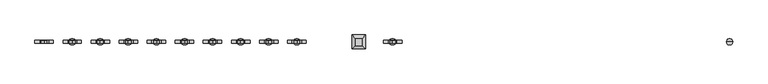
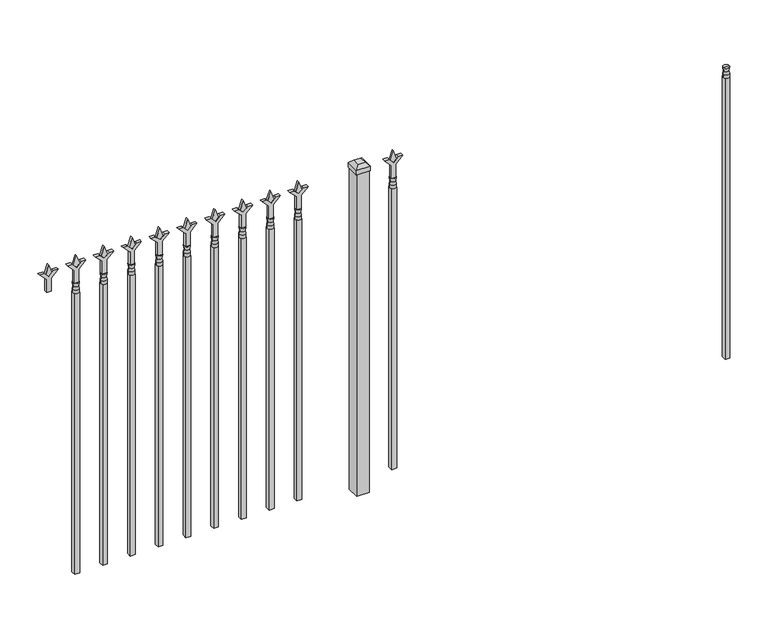
"""IFC4 building model written with IfcOpenShell, lengths in millimetres: railing geometry."""

from ifc_helpers import new_model, si_unit, frame, origin, origin_with_axes, place, context, project, spatial, polyline, circle_curve, outline, extrude, faceted_brep, source, transform, mapped, element, save
from ifc_brep_helpers import plane_surface, cylinder_surface, revolved_surface, advanced_brep


def railing_4475e349(model_context):
    return source(origin(), model_context, "Body", "SolidModel", [
        advanced_brep(
        [(-70507.574337, -3073.6570174, 1231.9), (-70531.386837, -3073.6570174, 1231.9), (-70531.386837, -3073.6570174, 1219.2), (-70507.574337, -3073.6570174, 1219.2), (-70509.7796688, -3073.6570174, 1244.4070585), (-70529.1815051, -3073.6570174, 1244.4070585), (-70507.574337, -3073.6570174, 1260.475), (-70531.386837, -3073.6570174, 1260.475), (-70519.480587, -3073.6570174, 1260.475), (-70519.480587, -3073.6570174, 1219.2)],
        [
            (0, 1, circle_curve(frame((-70519.480587, -3073.6570174, 1231.9), z_axis=(0.0, 0.0, -1.0), x_axis=(-1.0, 0.0, 0.0)), 11.90625)),
            (1, 2),
            (2, 3, circle_curve(frame((-70519.480587, -3073.6570174, 1219.2), z_axis=(0.0, 0.0, 1.0), x_axis=(-1.0, 0.0, 0.0)), 11.90625)),
            (3, 0),
            (1, 0, circle_curve(frame((-70519.480587, -3073.6570174, 1231.9), z_axis=(0.0, 0.0, -1.0), x_axis=(-1.0, 0.0, 0.0)), 11.90625)),
            (3, 2, circle_curve(frame((-70519.480587, -3073.6570174, 1219.2), z_axis=(0.0, 0.0, 1.0), x_axis=(-1.0, 0.0, 0.0)), 11.90625)),
            (4, 5, circle_curve(frame((-70519.480587, -3073.6570174, 1244.4070585), z_axis=(0.0, 0.0, -1.0), x_axis=(-1.0, 0.0, 0.0)), 9.7009181)),
            (5, 1),
            (0, 4),
            (5, 4, circle_curve(frame((-70519.480587, -3073.6570174, 1244.4070585), z_axis=(0.0, 0.0, -1.0), x_axis=(-1.0, 0.0, 0.0)), 9.7009181)),
            (6, 7, circle_curve(frame((-70519.480587, -3073.6570174, 1260.475), z_axis=(0.0, 0.0, -1.0), x_axis=(-1.0, 0.0, 0.0)), 11.90625)),
            (7, 5),
            (4, 6),
            (7, 6, circle_curve(frame((-70519.480587, -3073.6570174, 1260.475), z_axis=(0.0, 0.0, -1.0), x_axis=(-1.0, 0.0, 0.0)), 11.90625)),
            (8, 7),
            (6, 8),
            (2, 9),
            (9, 3),
        ],
        [
            cylinder_surface(frame((-70519.480587, -3073.6570174, 1219.2), z_axis=(0.0, 0.0, 1.0), x_axis=(-1.0, 0.0, 0.0)), 11.90625),
            revolved_surface(polyline([(-70531.386837, -3073.6570174, 1231.9), (-70529.1815051, -3073.6570174, 1244.4070585)]), (-70519.480587, -3073.6570174, 1219.2), (0.0, 0.0, 1.0)),
            revolved_surface(polyline([(-70529.1815051, -3073.6570174, 1244.4070585), (-70531.386837, -3073.6570174, 1260.475)]), (-70519.480587, -3073.6570174, 1219.2), (0.0, 0.0, 1.0)),
            plane_surface(frame((-70519.480587, -3073.6570174, 1260.475), z_axis=(0.0, 0.0, 1.0), x_axis=(-1.0, 0.0, 0.0))),
            plane_surface(frame((-70519.480587, -3073.6570174, 1219.2), z_axis=(0.0, 0.0, -1.0), x_axis=(-1.0, 0.0, 0.0))),
        ],
        [
            (0, [[1, 2, 3, 4]]),
            (0, [[5, -4, 6, -2]]),
            (1, [[7, 8, -1, 9]]),
            (1, [[10, -9, -5, -8]]),
            (2, [[11, 12, -7, 13]]),
            (2, [[14, -13, -10, -12]]),
            (3, [[15, -11, 16]]),
            (3, [[-16, -14, -15]]),
            (4, [[-3, 17, 18]]),
            (4, [[-6, -18, -17]]),
        ],
    ),
        extrude(outline(polyline([(-70529.005587, -3064.1320174), (-70509.955587, -3064.1320174), (-70509.955587, -3083.1820174), (-70529.005587, -3083.1820174), (-70529.005587, -3064.1320174)])), frame((0.0, 0.0, 50.8), z_axis=(0.0, 0.0, 1.0), x_axis=(1.0, 0.0, 0.0)), (0.0, 0.0, 1.0), 1168.4),
        extrude(outline(polyline([(1335.88125, -71818.849337), (1371.6, -71830.755587), (1335.88125, -71842.661837), (1323.975, -71830.755587), (1335.88125, -71818.849337)])), frame((0.0, -3078.4195174, 0.0), z_axis=(0.0, 1.0, 0.0), x_axis=(0.0, 0.0, 1.0)), (0.0, 0.0, 1.0), 9.525),
        extrude(outline(polyline([(1260.475, -71822.024337), (1314.7457378, -71822.024337), (1341.9355122, -71794.8345625), (1341.9355122, -71812.7950747), (1323.975, -71830.755587), (1341.9355122, -71848.7160992), (1341.9355122, -71866.6766114), (1314.7457378, -71839.486837), (1260.475, -71839.486837), (1260.475, -71822.024337)])), frame((0.0, -3080.0070174, 0.0), z_axis=(0.0, 1.0, 0.0), x_axis=(0.0, 0.0, 1.0)), (0.0, 0.0, 1.0), 12.7),
        advanced_brep(
        [(-71818.849337, -3073.6570174, 1231.9), (-71842.661837, -3073.6570174, 1231.9), (-71842.661837, -3073.6570174, 1219.2), (-71818.849337, -3073.6570174, 1219.2), (-71821.0546688, -3073.6570174, 1244.4070585), (-71840.4565051, -3073.6570174, 1244.4070585), (-71818.849337, -3073.6570174, 1260.475), (-71842.661837, -3073.6570174, 1260.475), (-71830.755587, -3073.6570174, 1260.475), (-71830.755587, -3073.6570174, 1219.2)],
        [
            (0, 1, circle_curve(frame((-71830.755587, -3073.6570174, 1231.9), z_axis=(0.0, 0.0, -1.0), x_axis=(-1.0, 0.0, 0.0)), 11.90625)),
            (1, 2),
            (2, 3, circle_curve(frame((-71830.755587, -3073.6570174, 1219.2), z_axis=(0.0, 0.0, 1.0), x_axis=(-1.0, 0.0, 0.0)), 11.90625)),
            (3, 0),
            (1, 0, circle_curve(frame((-71830.755587, -3073.6570174, 1231.9), z_axis=(0.0, 0.0, -1.0), x_axis=(-1.0, 0.0, 0.0)), 11.90625)),
            (3, 2, circle_curve(frame((-71830.755587, -3073.6570174, 1219.2), z_axis=(0.0, 0.0, 1.0), x_axis=(-1.0, 0.0, 0.0)), 11.90625)),
            (4, 5, circle_curve(frame((-71830.755587, -3073.6570174, 1244.4070585), z_axis=(0.0, 0.0, -1.0), x_axis=(-1.0, 0.0, 0.0)), 9.7009181)),
            (5, 1),
            (0, 4),
            (5, 4, circle_curve(frame((-71830.755587, -3073.6570174, 1244.4070585), z_axis=(0.0, 0.0, -1.0), x_axis=(-1.0, 0.0, 0.0)), 9.7009181)),
            (6, 7, circle_curve(frame((-71830.755587, -3073.6570174, 1260.475), z_axis=(0.0, 0.0, -1.0), x_axis=(-1.0, 0.0, 0.0)), 11.90625)),
            (7, 5),
            (4, 6),
            (7, 6, circle_curve(frame((-71830.755587, -3073.6570174, 1260.475), z_axis=(0.0, 0.0, -1.0), x_axis=(-1.0, 0.0, 0.0)), 11.90625)),
            (8, 7),
            (6, 8),
            (2, 9),
            (9, 3),
        ],
        [
            cylinder_surface(frame((-71830.755587, -3073.6570174, 1219.2), z_axis=(0.0, 0.0, 1.0), x_axis=(-1.0, 0.0, 0.0)), 11.90625),
            revolved_surface(polyline([(-71842.661837, -3073.6570174, 1231.9), (-71840.4565051, -3073.6570174, 1244.4070585)]), (-71830.755587, -3073.6570174, 1219.2), (0.0, 0.0, 1.0)),
            revolved_surface(polyline([(-71840.4565051, -3073.6570174, 1244.4070585), (-71842.661837, -3073.6570174, 1260.475)]), (-71830.755587, -3073.6570174, 1219.2), (0.0, 0.0, 1.0)),
            plane_surface(frame((-71830.755587, -3073.6570174, 1260.475), z_axis=(0.0, 0.0, 1.0), x_axis=(-1.0, 0.0, 0.0))),
            plane_surface(frame((-71830.755587, -3073.6570174, 1219.2), z_axis=(0.0, 0.0, -1.0), x_axis=(-1.0, 0.0, 0.0))),
        ],
        [
            (0, [[1, 2, 3, 4]]),
            (0, [[5, -4, 6, -2]]),
            (1, [[7, 8, -1, 9]]),
            (1, [[10, -9, -5, -8]]),
            (2, [[11, 12, -7, 13]]),
            (2, [[14, -13, -10, -12]]),
            (3, [[15, -11, 16]]),
            (3, [[-16, -14, -15]]),
            (4, [[-3, 17, 18]]),
            (4, [[-6, -18, -17]]),
        ],
    ),
        extrude(outline(polyline([(-71840.280587, -3064.1320174), (-71821.230587, -3064.1320174), (-71821.230587, -3083.1820174), (-71840.280587, -3083.1820174), (-71840.280587, -3064.1320174)])), frame((0.0, 0.0, 50.8), z_axis=(0.0, 0.0, 1.0), x_axis=(1.0, 0.0, 0.0)), (0.0, 0.0, 1.0), 1168.4),
        extrude(outline(polyline([(-71937.118087, -3048.2570174), (-71937.118087, -3099.0570174), (-71987.918087, -3099.0570174), (-71987.918087, -3048.2570174), (-71937.118087, -3048.2570174)])), origin_with_axes(), (0.0, 0.0, 1.0), 1339.85),
        faceted_brep([(-71989.505587, -3046.6695174, 1358.9), (-71989.505587, -3046.6695174, 1339.85), (-71989.505587, -3100.6445174, 1339.85), (-71989.505587, -3100.6445174, 1358.9), (-71976.805587, -3059.3695174, 1371.6), (-71976.805587, -3087.9445174, 1371.6), (-71935.530587, -3100.6445174, 1339.85), (-71935.530587, -3100.6445174, 1358.9), (-71948.230587, -3087.9445174, 1371.6), (-71935.530587, -3046.6695174, 1339.85), (-71935.530587, -3046.6695174, 1358.9), (-71948.230587, -3059.3695174, 1371.6)], [[[0, 1, 2, 3]], [[4, 0, 3, 5]], [[3, 2, 6, 7]], [[5, 3, 7, 8]], [[7, 6, 9, 10]], [[8, 7, 10, 11]], [[10, 9, 1, 0]], [[11, 10, 0, 4]], [[5, 8, 11, 4]], [[1, 9, 6, 2]]]),
        extrude(outline(polyline([(1335.88125, -72191.6472536), (1371.6, -72203.5535036), (1335.88125, -72215.4597536), (1323.975, -72203.5535036), (1335.88125, -72191.6472536)])), frame((0.0, -3078.4195174, 0.0), z_axis=(0.0, 1.0, 0.0), x_axis=(0.0, 0.0, 1.0)), (0.0, 0.0, 1.0), 9.525),
        extrude(outline(polyline([(1260.475, -72194.8222536), (1314.7457378, -72194.8222536), (1341.9355122, -72167.6324791), (1341.9355122, -72185.5929914), (1323.975, -72203.5535036), (1341.9355122, -72221.5140159), (1341.9355122, -72239.4745281), (1314.7457378, -72212.2847536), (1260.475, -72212.2847536), (1260.475, -72194.8222536)])), frame((0.0, -3080.0070174, 0.0), z_axis=(0.0, 1.0, 0.0), x_axis=(0.0, 0.0, 1.0)), (0.0, 0.0, 1.0), 12.7),
        advanced_brep(
        [(-72191.6472536, -3073.6570174, 1231.9), (-72215.4597536, -3073.6570174, 1231.9), (-72215.4597536, -3073.6570174, 1219.2), (-72191.6472536, -3073.6570174, 1219.2), (-72193.8525855, -3073.6570174, 1244.4070585), (-72213.2544218, -3073.6570174, 1244.4070585), (-72191.6472536, -3073.6570174, 1260.475), (-72215.4597536, -3073.6570174, 1260.475), (-72203.5535036, -3073.6570174, 1260.475), (-72203.5535036, -3073.6570174, 1219.2)],
        [
            (0, 1, circle_curve(frame((-72203.5535036, -3073.6570174, 1231.9), z_axis=(0.0, 0.0, -1.0), x_axis=(-1.0, 0.0, 0.0)), 11.90625)),
            (1, 2),
            (2, 3, circle_curve(frame((-72203.5535036, -3073.6570174, 1219.2), z_axis=(0.0, 0.0, 1.0), x_axis=(-1.0, 0.0, 0.0)), 11.90625)),
            (3, 0),
            (1, 0, circle_curve(frame((-72203.5535036, -3073.6570174, 1231.9), z_axis=(0.0, 0.0, -1.0), x_axis=(-1.0, 0.0, 0.0)), 11.90625)),
            (3, 2, circle_curve(frame((-72203.5535036, -3073.6570174, 1219.2), z_axis=(0.0, 0.0, 1.0), x_axis=(-1.0, 0.0, 0.0)), 11.90625)),
            (4, 5, circle_curve(frame((-72203.5535036, -3073.6570174, 1244.4070585), z_axis=(0.0, 0.0, -1.0), x_axis=(-1.0, 0.0, 0.0)), 9.7009181)),
            (5, 1),
            (0, 4),
            (5, 4, circle_curve(frame((-72203.5535036, -3073.6570174, 1244.4070585), z_axis=(0.0, 0.0, -1.0), x_axis=(-1.0, 0.0, 0.0)), 9.7009181)),
            (6, 7, circle_curve(frame((-72203.5535036, -3073.6570174, 1260.475), z_axis=(0.0, 0.0, -1.0), x_axis=(-1.0, 0.0, 0.0)), 11.90625)),
            (7, 5),
            (4, 6),
            (7, 6, circle_curve(frame((-72203.5535036, -3073.6570174, 1260.475), z_axis=(0.0, 0.0, -1.0), x_axis=(-1.0, 0.0, 0.0)), 11.90625)),
            (8, 7),
            (6, 8),
            (2, 9),
            (9, 3),
        ],
        [
            cylinder_surface(frame((-72203.5535036, -3073.6570174, 1219.2), z_axis=(0.0, 0.0, 1.0), x_axis=(-1.0, 0.0, 0.0)), 11.90625),
            revolved_surface(polyline([(-72215.4597536, -3073.6570174, 1231.9), (-72213.2544218, -3073.6570174, 1244.4070585)]), (-72203.5535036, -3073.6570174, 1219.2), (0.0, 0.0, 1.0)),
            revolved_surface(polyline([(-72213.2544218, -3073.6570174, 1244.4070585), (-72215.4597536, -3073.6570174, 1260.475)]), (-72203.5535036, -3073.6570174, 1219.2), (0.0, 0.0, 1.0)),
            plane_surface(frame((-72203.5535036, -3073.6570174, 1260.475), z_axis=(0.0, 0.0, 1.0), x_axis=(-1.0, 0.0, 0.0))),
            plane_surface(frame((-72203.5535036, -3073.6570174, 1219.2), z_axis=(0.0, 0.0, -1.0), x_axis=(-1.0, 0.0, 0.0))),
        ],
        [
            (0, [[1, 2, 3, 4]]),
            (0, [[5, -4, 6, -2]]),
            (1, [[7, 8, -1, 9]]),
            (1, [[10, -9, -5, -8]]),
            (2, [[11, 12, -7, 13]]),
            (2, [[14, -13, -10, -12]]),
            (3, [[15, -11, 16]]),
            (3, [[-16, -14, -15]]),
            (4, [[-3, 17, 18]]),
            (4, [[-6, -18, -17]]),
        ],
    ),
        extrude(outline(polyline([(-72213.0785036, -3064.1320174), (-72194.0285036, -3064.1320174), (-72194.0285036, -3083.1820174), (-72213.0785036, -3083.1820174), (-72213.0785036, -3064.1320174)])), frame((0.0, 0.0, 50.8), z_axis=(0.0, 0.0, 1.0), x_axis=(1.0, 0.0, 0.0)), (0.0, 0.0, 1.0), 1168.4),
        extrude(outline(polyline([(1335.88125, -72300.9201703), (1371.6, -72312.8264203), (1335.88125, -72324.7326703), (1323.975, -72312.8264203), (1335.88125, -72300.9201703)])), frame((0.0, -3078.4195174, 0.0), z_axis=(0.0, 1.0, 0.0), x_axis=(0.0, 0.0, 1.0)), (0.0, 0.0, 1.0), 9.525),
        extrude(outline(polyline([(1260.475, -72304.0951703), (1314.7457378, -72304.0951703), (1341.9355122, -72276.9053958), (1341.9355122, -72294.8659081), (1323.975, -72312.8264203), (1341.9355122, -72330.7869325), (1341.9355122, -72348.7474448), (1314.7457378, -72321.5576703), (1260.475, -72321.5576703), (1260.475, -72304.0951703)])), frame((0.0, -3080.0070174, 0.0), z_axis=(0.0, 1.0, 0.0), x_axis=(0.0, 0.0, 1.0)), (0.0, 0.0, 1.0), 12.7),
        advanced_brep(
        [(-72300.9201703, -3073.6570174, 1231.9), (-72324.7326703, -3073.6570174, 1231.9), (-72324.7326703, -3073.6570174, 1219.2), (-72300.9201703, -3073.6570174, 1219.2), (-72303.1255022, -3073.6570174, 1244.4070585), (-72322.5273384, -3073.6570174, 1244.4070585), (-72300.9201703, -3073.6570174, 1260.475), (-72324.7326703, -3073.6570174, 1260.475), (-72312.8264203, -3073.6570174, 1260.475), (-72312.8264203, -3073.6570174, 1219.2)],
        [
            (0, 1, circle_curve(frame((-72312.8264203, -3073.6570174, 1231.9), z_axis=(0.0, 0.0, -1.0), x_axis=(-1.0, 0.0, 0.0)), 11.90625)),
            (1, 2),
            (2, 3, circle_curve(frame((-72312.8264203, -3073.6570174, 1219.2), z_axis=(0.0, 0.0, 1.0), x_axis=(-1.0, 0.0, 0.0)), 11.90625)),
            (3, 0),
            (1, 0, circle_curve(frame((-72312.8264203, -3073.6570174, 1231.9), z_axis=(0.0, 0.0, -1.0), x_axis=(-1.0, 0.0, 0.0)), 11.90625)),
            (3, 2, circle_curve(frame((-72312.8264203, -3073.6570174, 1219.2), z_axis=(0.0, 0.0, 1.0), x_axis=(-1.0, 0.0, 0.0)), 11.90625)),
            (4, 5, circle_curve(frame((-72312.8264203, -3073.6570174, 1244.4070585), z_axis=(0.0, 0.0, -1.0), x_axis=(-1.0, 0.0, 0.0)), 9.7009181)),
            (5, 1),
            (0, 4),
            (5, 4, circle_curve(frame((-72312.8264203, -3073.6570174, 1244.4070585), z_axis=(0.0, 0.0, -1.0), x_axis=(-1.0, 0.0, 0.0)), 9.7009181)),
            (6, 7, circle_curve(frame((-72312.8264203, -3073.6570174, 1260.475), z_axis=(0.0, 0.0, -1.0), x_axis=(-1.0, 0.0, 0.0)), 11.90625)),
            (7, 5),
            (4, 6),
            (7, 6, circle_curve(frame((-72312.8264203, -3073.6570174, 1260.475), z_axis=(0.0, 0.0, -1.0), x_axis=(-1.0, 0.0, 0.0)), 11.90625)),
            (8, 7),
            (6, 8),
            (2, 9),
            (9, 3),
        ],
        [
            cylinder_surface(frame((-72312.8264203, -3073.6570174, 1219.2), z_axis=(0.0, 0.0, 1.0), x_axis=(-1.0, 0.0, 0.0)), 11.90625),
            revolved_surface(polyline([(-72324.7326703, -3073.6570174, 1231.9), (-72322.5273384, -3073.6570174, 1244.4070585)]), (-72312.8264203, -3073.6570174, 1219.2), (0.0, 0.0, 1.0)),
            revolved_surface(polyline([(-72322.5273384, -3073.6570174, 1244.4070585), (-72324.7326703, -3073.6570174, 1260.475)]), (-72312.8264203, -3073.6570174, 1219.2), (0.0, 0.0, 1.0)),
            plane_surface(frame((-72312.8264203, -3073.6570174, 1260.475), z_axis=(0.0, 0.0, 1.0), x_axis=(-1.0, 0.0, 0.0))),
            plane_surface(frame((-72312.8264203, -3073.6570174, 1219.2), z_axis=(0.0, 0.0, -1.0), x_axis=(-1.0, 0.0, 0.0))),
        ],
        [
            (0, [[1, 2, 3, 4]]),
            (0, [[5, -4, 6, -2]]),
            (1, [[7, 8, -1, 9]]),
            (1, [[10, -9, -5, -8]]),
            (2, [[11, 12, -7, 13]]),
            (2, [[14, -13, -10, -12]]),
            (3, [[15, -11, 16]]),
            (3, [[-16, -14, -15]]),
            (4, [[-3, 17, 18]]),
            (4, [[-6, -18, -17]]),
        ],
    ),
        extrude(outline(polyline([(-72322.3514203, -3064.1320174), (-72303.3014203, -3064.1320174), (-72303.3014203, -3083.1820174), (-72322.3514203, -3083.1820174), (-72322.3514203, -3064.1320174)])), frame((0.0, 0.0, 50.8), z_axis=(0.0, 0.0, 1.0), x_axis=(1.0, 0.0, 0.0)), (0.0, 0.0, 1.0), 1168.4),
        extrude(outline(polyline([(1335.88125, -72410.193087), (1371.6, -72422.099337), (1335.88125, -72434.005587), (1323.975, -72422.099337), (1335.88125, -72410.193087)])), frame((0.0, -3078.4195174, 0.0), z_axis=(0.0, 1.0, 0.0), x_axis=(0.0, 0.0, 1.0)), (0.0, 0.0, 1.0), 9.525),
        extrude(outline(polyline([(1260.475, -72413.368087), (1314.7457378, -72413.368087), (1341.9355122, -72386.1783125), (1341.9355122, -72404.1388247), (1323.975, -72422.099337), (1341.9355122, -72440.0598492), (1341.9355122, -72458.0203614), (1314.7457378, -72430.830587), (1260.475, -72430.830587), (1260.475, -72413.368087)])), frame((0.0, -3080.0070174, 0.0), z_axis=(0.0, 1.0, 0.0), x_axis=(0.0, 0.0, 1.0)), (0.0, 0.0, 1.0), 12.7),
        advanced_brep(
        [(-72410.193087, -3073.6570174, 1231.9), (-72434.005587, -3073.6570174, 1231.9), (-72434.005587, -3073.6570174, 1219.2), (-72410.193087, -3073.6570174, 1219.2), (-72412.3984188, -3073.6570174, 1244.4070585), (-72431.8002551, -3073.6570174, 1244.4070585), (-72410.193087, -3073.6570174, 1260.475), (-72434.005587, -3073.6570174, 1260.475), (-72422.099337, -3073.6570174, 1260.475), (-72422.099337, -3073.6570174, 1219.2)],
        [
            (0, 1, circle_curve(frame((-72422.099337, -3073.6570174, 1231.9), z_axis=(0.0, 0.0, -1.0), x_axis=(-1.0, 0.0, 0.0)), 11.90625)),
            (1, 2),
            (2, 3, circle_curve(frame((-72422.099337, -3073.6570174, 1219.2), z_axis=(0.0, 0.0, 1.0), x_axis=(-1.0, 0.0, 0.0)), 11.90625)),
            (3, 0),
            (1, 0, circle_curve(frame((-72422.099337, -3073.6570174, 1231.9), z_axis=(0.0, 0.0, -1.0), x_axis=(-1.0, 0.0, 0.0)), 11.90625)),
            (3, 2, circle_curve(frame((-72422.099337, -3073.6570174, 1219.2), z_axis=(0.0, 0.0, 1.0), x_axis=(-1.0, 0.0, 0.0)), 11.90625)),
            (4, 5, circle_curve(frame((-72422.099337, -3073.6570174, 1244.4070585), z_axis=(0.0, 0.0, -1.0), x_axis=(-1.0, 0.0, 0.0)), 9.7009181)),
            (5, 1),
            (0, 4),
            (5, 4, circle_curve(frame((-72422.099337, -3073.6570174, 1244.4070585), z_axis=(0.0, 0.0, -1.0), x_axis=(-1.0, 0.0, 0.0)), 9.7009181)),
            (6, 7, circle_curve(frame((-72422.099337, -3073.6570174, 1260.475), z_axis=(0.0, 0.0, -1.0), x_axis=(-1.0, 0.0, 0.0)), 11.90625)),
            (7, 5),
            (4, 6),
            (7, 6, circle_curve(frame((-72422.099337, -3073.6570174, 1260.475), z_axis=(0.0, 0.0, -1.0), x_axis=(-1.0, 0.0, 0.0)), 11.90625)),
            (8, 7),
            (6, 8),
            (2, 9),
            (9, 3),
        ],
        [
            cylinder_surface(frame((-72422.099337, -3073.6570174, 1219.2), z_axis=(0.0, 0.0, 1.0), x_axis=(-1.0, 0.0, 0.0)), 11.90625),
            revolved_surface(polyline([(-72434.005587, -3073.6570174, 1231.9), (-72431.8002551, -3073.6570174, 1244.4070585)]), (-72422.099337, -3073.6570174, 1219.2), (0.0, 0.0, 1.0)),
            revolved_surface(polyline([(-72431.8002551, -3073.6570174, 1244.4070585), (-72434.005587, -3073.6570174, 1260.475)]), (-72422.099337, -3073.6570174, 1219.2), (0.0, 0.0, 1.0)),
            plane_surface(frame((-72422.099337, -3073.6570174, 1260.475), z_axis=(0.0, 0.0, 1.0), x_axis=(-1.0, 0.0, 0.0))),
            plane_surface(frame((-72422.099337, -3073.6570174, 1219.2), z_axis=(0.0, 0.0, -1.0), x_axis=(-1.0, 0.0, 0.0))),
        ],
        [
            (0, [[1, 2, 3, 4]]),
            (0, [[5, -4, 6, -2]]),
            (1, [[7, 8, -1, 9]]),
            (1, [[10, -9, -5, -8]]),
            (2, [[11, 12, -7, 13]]),
            (2, [[14, -13, -10, -12]]),
            (3, [[15, -11, 16]]),
            (3, [[-16, -14, -15]]),
            (4, [[-3, 17, 18]]),
            (4, [[-6, -18, -17]]),
        ],
    ),
        extrude(outline(polyline([(-72431.624337, -3064.1320174), (-72412.574337, -3064.1320174), (-72412.574337, -3083.1820174), (-72431.624337, -3083.1820174), (-72431.624337, -3064.1320174)])), frame((0.0, 0.0, 50.8), z_axis=(0.0, 0.0, 1.0), x_axis=(1.0, 0.0, 0.0)), (0.0, 0.0, 1.0), 1168.4),
        extrude(outline(polyline([(1335.88125, -72519.4660036), (1371.6, -72531.3722536), (1335.88125, -72543.2785036), (1323.975, -72531.3722536), (1335.88125, -72519.4660036)])), frame((0.0, -3078.4195174, 0.0), z_axis=(0.0, 1.0, 0.0), x_axis=(0.0, 0.0, 1.0)), (0.0, 0.0, 1.0), 9.525),
        extrude(outline(polyline([(1260.475, -72522.6410036), (1314.7457378, -72522.6410036), (1341.9355122, -72495.4512291), (1341.9355122, -72513.4117414), (1323.975, -72531.3722536), (1341.9355122, -72549.3327659), (1341.9355122, -72567.2932781), (1314.7457378, -72540.1035036), (1260.475, -72540.1035036), (1260.475, -72522.6410036)])), frame((0.0, -3080.0070174, 0.0), z_axis=(0.0, 1.0, 0.0), x_axis=(0.0, 0.0, 1.0)), (0.0, 0.0, 1.0), 12.7),
        advanced_brep(
        [(-72519.4660036, -3073.6570174, 1231.9), (-72543.2785036, -3073.6570174, 1231.9), (-72543.2785036, -3073.6570174, 1219.2), (-72519.4660036, -3073.6570174, 1219.2), (-72521.6713355, -3073.6570174, 1244.4070585), (-72541.0731718, -3073.6570174, 1244.4070585), (-72519.4660036, -3073.6570174, 1260.475), (-72543.2785036, -3073.6570174, 1260.475), (-72531.3722536, -3073.6570174, 1260.475), (-72531.3722536, -3073.6570174, 1219.2)],
        [
            (0, 1, circle_curve(frame((-72531.3722536, -3073.6570174, 1231.9), z_axis=(0.0, 0.0, -1.0), x_axis=(-1.0, 0.0, 0.0)), 11.90625)),
            (1, 2),
            (2, 3, circle_curve(frame((-72531.3722536, -3073.6570174, 1219.2), z_axis=(0.0, 0.0, 1.0), x_axis=(-1.0, 0.0, 0.0)), 11.90625)),
            (3, 0),
            (1, 0, circle_curve(frame((-72531.3722536, -3073.6570174, 1231.9), z_axis=(0.0, 0.0, -1.0), x_axis=(-1.0, 0.0, 0.0)), 11.90625)),
            (3, 2, circle_curve(frame((-72531.3722536, -3073.6570174, 1219.2), z_axis=(0.0, 0.0, 1.0), x_axis=(-1.0, 0.0, 0.0)), 11.90625)),
            (4, 5, circle_curve(frame((-72531.3722536, -3073.6570174, 1244.4070585), z_axis=(0.0, 0.0, -1.0), x_axis=(-1.0, 0.0, 0.0)), 9.7009181)),
            (5, 1),
            (0, 4),
            (5, 4, circle_curve(frame((-72531.3722536, -3073.6570174, 1244.4070585), z_axis=(0.0, 0.0, -1.0), x_axis=(-1.0, 0.0, 0.0)), 9.7009181)),
            (6, 7, circle_curve(frame((-72531.3722536, -3073.6570174, 1260.475), z_axis=(0.0, 0.0, -1.0), x_axis=(-1.0, 0.0, 0.0)), 11.90625)),
            (7, 5),
            (4, 6),
            (7, 6, circle_curve(frame((-72531.3722536, -3073.6570174, 1260.475), z_axis=(0.0, 0.0, -1.0), x_axis=(-1.0, 0.0, 0.0)), 11.90625)),
            (8, 7),
            (6, 8),
            (2, 9),
            (9, 3),
        ],
        [
            cylinder_surface(frame((-72531.3722536, -3073.6570174, 1219.2), z_axis=(0.0, 0.0, 1.0), x_axis=(-1.0, 0.0, 0.0)), 11.90625),
            revolved_surface(polyline([(-72543.2785036, -3073.6570174, 1231.9), (-72541.0731718, -3073.6570174, 1244.4070585)]), (-72531.3722536, -3073.6570174, 1219.2), (0.0, 0.0, 1.0)),
            revolved_surface(polyline([(-72541.0731718, -3073.6570174, 1244.4070585), (-72543.2785036, -3073.6570174, 1260.475)]), (-72531.3722536, -3073.6570174, 1219.2), (0.0, 0.0, 1.0)),
            plane_surface(frame((-72531.3722536, -3073.6570174, 1260.475), z_axis=(0.0, 0.0, 1.0), x_axis=(-1.0, 0.0, 0.0))),
            plane_surface(frame((-72531.3722536, -3073.6570174, 1219.2), z_axis=(0.0, 0.0, -1.0), x_axis=(-1.0, 0.0, 0.0))),
        ],
        [
            (0, [[1, 2, 3, 4]]),
            (0, [[5, -4, 6, -2]]),
            (1, [[7, 8, -1, 9]]),
            (1, [[10, -9, -5, -8]]),
            (2, [[11, 12, -7, 13]]),
            (2, [[14, -13, -10, -12]]),
            (3, [[15, -11, 16]]),
            (3, [[-16, -14, -15]]),
            (4, [[-3, 17, 18]]),
            (4, [[-6, -18, -17]]),
        ],
    ),
        extrude(outline(polyline([(-72540.8972536, -3064.1320174), (-72521.8472536, -3064.1320174), (-72521.8472536, -3083.1820174), (-72540.8972536, -3083.1820174), (-72540.8972536, -3064.1320174)])), frame((0.0, 0.0, 50.8), z_axis=(0.0, 0.0, 1.0), x_axis=(1.0, 0.0, 0.0)), (0.0, 0.0, 1.0), 1168.4),
        extrude(outline(polyline([(1335.88125, -72628.7389203), (1371.6, -72640.6451703), (1335.88125, -72652.5514203), (1323.975, -72640.6451703), (1335.88125, -72628.7389203)])), frame((0.0, -3078.4195174, 0.0), z_axis=(0.0, 1.0, 0.0), x_axis=(0.0, 0.0, 1.0)), (0.0, 0.0, 1.0), 9.525),
        extrude(outline(polyline([(1260.475, -72631.9139203), (1314.7457378, -72631.9139203), (1341.9355122, -72604.7241458), (1341.9355122, -72622.6846581), (1323.975, -72640.6451703), (1341.9355122, -72658.6056825), (1341.9355122, -72676.5661948), (1314.7457378, -72649.3764203), (1260.475, -72649.3764203), (1260.475, -72631.9139203)])), frame((0.0, -3080.0070174, 0.0), z_axis=(0.0, 1.0, 0.0), x_axis=(0.0, 0.0, 1.0)), (0.0, 0.0, 1.0), 12.7),
        advanced_brep(
        [(-72628.7389203, -3073.6570174, 1231.9), (-72652.5514203, -3073.6570174, 1231.9), (-72652.5514203, -3073.6570174, 1219.2), (-72628.7389203, -3073.6570174, 1219.2), (-72630.9442522, -3073.6570174, 1244.4070585), (-72650.3460884, -3073.6570174, 1244.4070585), (-72628.7389203, -3073.6570174, 1260.475), (-72652.5514203, -3073.6570174, 1260.475), (-72640.6451703, -3073.6570174, 1260.475), (-72640.6451703, -3073.6570174, 1219.2)],
        [
            (0, 1, circle_curve(frame((-72640.6451703, -3073.6570174, 1231.9), z_axis=(0.0, 0.0, -1.0), x_axis=(-1.0, 0.0, 0.0)), 11.90625)),
            (1, 2),
            (2, 3, circle_curve(frame((-72640.6451703, -3073.6570174, 1219.2), z_axis=(0.0, 0.0, 1.0), x_axis=(-1.0, 0.0, 0.0)), 11.90625)),
            (3, 0),
            (1, 0, circle_curve(frame((-72640.6451703, -3073.6570174, 1231.9), z_axis=(0.0, 0.0, -1.0), x_axis=(-1.0, 0.0, 0.0)), 11.90625)),
            (3, 2, circle_curve(frame((-72640.6451703, -3073.6570174, 1219.2), z_axis=(0.0, 0.0, 1.0), x_axis=(-1.0, 0.0, 0.0)), 11.90625)),
            (4, 5, circle_curve(frame((-72640.6451703, -3073.6570174, 1244.4070585), z_axis=(0.0, 0.0, -1.0), x_axis=(-1.0, 0.0, 0.0)), 9.7009181)),
            (5, 1),
            (0, 4),
            (5, 4, circle_curve(frame((-72640.6451703, -3073.6570174, 1244.4070585), z_axis=(0.0, 0.0, -1.0), x_axis=(-1.0, 0.0, 0.0)), 9.7009181)),
            (6, 7, circle_curve(frame((-72640.6451703, -3073.6570174, 1260.475), z_axis=(0.0, 0.0, -1.0), x_axis=(-1.0, 0.0, 0.0)), 11.90625)),
            (7, 5),
            (4, 6),
            (7, 6, circle_curve(frame((-72640.6451703, -3073.6570174, 1260.475), z_axis=(0.0, 0.0, -1.0), x_axis=(-1.0, 0.0, 0.0)), 11.90625)),
            (8, 7),
            (6, 8),
            (2, 9),
            (9, 3),
        ],
        [
            cylinder_surface(frame((-72640.6451703, -3073.6570174, 1219.2), z_axis=(0.0, 0.0, 1.0), x_axis=(-1.0, 0.0, 0.0)), 11.90625),
            revolved_surface(polyline([(-72652.5514203, -3073.6570174, 1231.9), (-72650.3460884, -3073.6570174, 1244.4070585)]), (-72640.6451703, -3073.6570174, 1219.2), (0.0, 0.0, 1.0)),
            revolved_surface(polyline([(-72650.3460884, -3073.6570174, 1244.4070585), (-72652.5514203, -3073.6570174, 1260.475)]), (-72640.6451703, -3073.6570174, 1219.2), (0.0, 0.0, 1.0)),
            plane_surface(frame((-72640.6451703, -3073.6570174, 1260.475), z_axis=(0.0, 0.0, 1.0), x_axis=(-1.0, 0.0, 0.0))),
            plane_surface(frame((-72640.6451703, -3073.6570174, 1219.2), z_axis=(0.0, 0.0, -1.0), x_axis=(-1.0, 0.0, 0.0))),
        ],
        [
            (0, [[1, 2, 3, 4]]),
            (0, [[5, -4, 6, -2]]),
            (1, [[7, 8, -1, 9]]),
            (1, [[10, -9, -5, -8]]),
            (2, [[11, 12, -7, 13]]),
            (2, [[14, -13, -10, -12]]),
            (3, [[15, -11, 16]]),
            (3, [[-16, -14, -15]]),
            (4, [[-3, 17, 18]]),
            (4, [[-6, -18, -17]]),
        ],
    ),
        extrude(outline(polyline([(-72650.1701703, -3064.1320174), (-72631.1201703, -3064.1320174), (-72631.1201703, -3083.1820174), (-72650.1701703, -3083.1820174), (-72650.1701703, -3064.1320174)])), frame((0.0, 0.0, 50.8), z_axis=(0.0, 0.0, 1.0), x_axis=(1.0, 0.0, 0.0)), (0.0, 0.0, 1.0), 1168.4),
        extrude(outline(polyline([(1335.88125, -72738.011837), (1371.6, -72749.918087), (1335.88125, -72761.824337), (1323.975, -72749.918087), (1335.88125, -72738.011837)])), frame((0.0, -3078.4195174, 0.0), z_axis=(0.0, 1.0, 0.0), x_axis=(0.0, 0.0, 1.0)), (0.0, 0.0, 1.0), 9.525),
        extrude(outline(polyline([(1260.475, -72741.186837), (1314.7457378, -72741.186837), (1341.9355122, -72713.9970625), (1341.9355122, -72731.9575747), (1323.975, -72749.918087), (1341.9355122, -72767.8785992), (1341.9355122, -72785.8391114), (1314.7457378, -72758.649337), (1260.475, -72758.649337), (1260.475, -72741.186837)])), frame((0.0, -3080.0070174, 0.0), z_axis=(0.0, 1.0, 0.0), x_axis=(0.0, 0.0, 1.0)), (0.0, 0.0, 1.0), 12.7),
        advanced_brep(
        [(-72738.011837, -3073.6570174, 1231.9), (-72761.824337, -3073.6570174, 1231.9), (-72761.824337, -3073.6570174, 1219.2), (-72738.011837, -3073.6570174, 1219.2), (-72740.2171688, -3073.6570174, 1244.4070585), (-72759.6190051, -3073.6570174, 1244.4070585), (-72738.011837, -3073.6570174, 1260.475), (-72761.824337, -3073.6570174, 1260.475), (-72749.918087, -3073.6570174, 1260.475), (-72749.918087, -3073.6570174, 1219.2)],
        [
            (0, 1, circle_curve(frame((-72749.918087, -3073.6570174, 1231.9), z_axis=(0.0, 0.0, -1.0), x_axis=(-1.0, 0.0, 0.0)), 11.90625)),
            (1, 2),
            (2, 3, circle_curve(frame((-72749.918087, -3073.6570174, 1219.2), z_axis=(0.0, 0.0, 1.0), x_axis=(-1.0, 0.0, 0.0)), 11.90625)),
            (3, 0),
            (1, 0, circle_curve(frame((-72749.918087, -3073.6570174, 1231.9), z_axis=(0.0, 0.0, -1.0), x_axis=(-1.0, 0.0, 0.0)), 11.90625)),
            (3, 2, circle_curve(frame((-72749.918087, -3073.6570174, 1219.2), z_axis=(0.0, 0.0, 1.0), x_axis=(-1.0, 0.0, 0.0)), 11.90625)),
            (4, 5, circle_curve(frame((-72749.918087, -3073.6570174, 1244.4070585), z_axis=(0.0, 0.0, -1.0), x_axis=(-1.0, 0.0, 0.0)), 9.7009181)),
            (5, 1),
            (0, 4),
            (5, 4, circle_curve(frame((-72749.918087, -3073.6570174, 1244.4070585), z_axis=(0.0, 0.0, -1.0), x_axis=(-1.0, 0.0, 0.0)), 9.7009181)),
            (6, 7, circle_curve(frame((-72749.918087, -3073.6570174, 1260.475), z_axis=(0.0, 0.0, -1.0), x_axis=(-1.0, 0.0, 0.0)), 11.90625)),
            (7, 5),
            (4, 6),
            (7, 6, circle_curve(frame((-72749.918087, -3073.6570174, 1260.475), z_axis=(0.0, 0.0, -1.0), x_axis=(-1.0, 0.0, 0.0)), 11.90625)),
            (8, 7),
            (6, 8),
            (2, 9),
            (9, 3),
        ],
        [
            cylinder_surface(frame((-72749.918087, -3073.6570174, 1219.2), z_axis=(0.0, 0.0, 1.0), x_axis=(-1.0, 0.0, 0.0)), 11.90625),
            revolved_surface(polyline([(-72761.824337, -3073.6570174, 1231.9), (-72759.6190051, -3073.6570174, 1244.4070585)]), (-72749.918087, -3073.6570174, 1219.2), (0.0, 0.0, 1.0)),
            revolved_surface(polyline([(-72759.6190051, -3073.6570174, 1244.4070585), (-72761.824337, -3073.6570174, 1260.475)]), (-72749.918087, -3073.6570174, 1219.2), (0.0, 0.0, 1.0)),
            plane_surface(frame((-72749.918087, -3073.6570174, 1260.475), z_axis=(0.0, 0.0, 1.0), x_axis=(-1.0, 0.0, 0.0))),
            plane_surface(frame((-72749.918087, -3073.6570174, 1219.2), z_axis=(0.0, 0.0, -1.0), x_axis=(-1.0, 0.0, 0.0))),
        ],
        [
            (0, [[1, 2, 3, 4]]),
            (0, [[5, -4, 6, -2]]),
            (1, [[7, 8, -1, 9]]),
            (1, [[10, -9, -5, -8]]),
            (2, [[11, 12, -7, 13]]),
            (2, [[14, -13, -10, -12]]),
            (3, [[15, -11, 16]]),
            (3, [[-16, -14, -15]]),
            (4, [[-3, 17, 18]]),
            (4, [[-6, -18, -17]]),
        ],
    ),
        extrude(outline(polyline([(-72759.443087, -3064.1320174), (-72740.393087, -3064.1320174), (-72740.393087, -3083.1820174), (-72759.443087, -3083.1820174), (-72759.443087, -3064.1320174)])), frame((0.0, 0.0, 50.8), z_axis=(0.0, 0.0, 1.0), x_axis=(1.0, 0.0, 0.0)), (0.0, 0.0, 1.0), 1168.4),
        extrude(outline(polyline([(1335.88125, -72847.2847536), (1371.6, -72859.1910036), (1335.88125, -72871.0972536), (1323.975, -72859.1910036), (1335.88125, -72847.2847536)])), frame((0.0, -3078.4195174, 0.0), z_axis=(0.0, 1.0, 0.0), x_axis=(0.0, 0.0, 1.0)), (0.0, 0.0, 1.0), 9.525),
        extrude(outline(polyline([(1260.475, -72850.4597536), (1314.7457378, -72850.4597536), (1341.9355122, -72823.2699791), (1341.9355122, -72841.2304914), (1323.975, -72859.1910036), (1341.9355122, -72877.1515159), (1341.9355122, -72895.1120281), (1314.7457378, -72867.9222536), (1260.475, -72867.9222536), (1260.475, -72850.4597536)])), frame((0.0, -3080.0070174, 0.0), z_axis=(0.0, 1.0, 0.0), x_axis=(0.0, 0.0, 1.0)), (0.0, 0.0, 1.0), 12.7),
        advanced_brep(
        [(-72847.2847536, -3073.6570174, 1231.9), (-72871.0972536, -3073.6570174, 1231.9), (-72871.0972536, -3073.6570174, 1219.2), (-72847.2847536, -3073.6570174, 1219.2), (-72849.4900855, -3073.6570174, 1244.4070585), (-72868.8919218, -3073.6570174, 1244.4070585), (-72847.2847536, -3073.6570174, 1260.475), (-72871.0972536, -3073.6570174, 1260.475), (-72859.1910036, -3073.6570174, 1260.475), (-72859.1910036, -3073.6570174, 1219.2)],
        [
            (0, 1, circle_curve(frame((-72859.1910036, -3073.6570174, 1231.9), z_axis=(0.0, 0.0, -1.0), x_axis=(-1.0, 0.0, 0.0)), 11.90625)),
            (1, 2),
            (2, 3, circle_curve(frame((-72859.1910036, -3073.6570174, 1219.2), z_axis=(0.0, 0.0, 1.0), x_axis=(-1.0, 0.0, 0.0)), 11.90625)),
            (3, 0),
            (1, 0, circle_curve(frame((-72859.1910036, -3073.6570174, 1231.9), z_axis=(0.0, 0.0, -1.0), x_axis=(-1.0, 0.0, 0.0)), 11.90625)),
            (3, 2, circle_curve(frame((-72859.1910036, -3073.6570174, 1219.2), z_axis=(0.0, 0.0, 1.0), x_axis=(-1.0, 0.0, 0.0)), 11.90625)),
            (4, 5, circle_curve(frame((-72859.1910036, -3073.6570174, 1244.4070585), z_axis=(0.0, 0.0, -1.0), x_axis=(-1.0, 0.0, 0.0)), 9.7009181)),
            (5, 1),
            (0, 4),
            (5, 4, circle_curve(frame((-72859.1910036, -3073.6570174, 1244.4070585), z_axis=(0.0, 0.0, -1.0), x_axis=(-1.0, 0.0, 0.0)), 9.7009181)),
            (6, 7, circle_curve(frame((-72859.1910036, -3073.6570174, 1260.475), z_axis=(0.0, 0.0, -1.0), x_axis=(-1.0, 0.0, 0.0)), 11.90625)),
            (7, 5),
            (4, 6),
            (7, 6, circle_curve(frame((-72859.1910036, -3073.6570174, 1260.475), z_axis=(0.0, 0.0, -1.0), x_axis=(-1.0, 0.0, 0.0)), 11.90625)),
            (8, 7),
            (6, 8),
            (2, 9),
            (9, 3),
        ],
        [
            cylinder_surface(frame((-72859.1910036, -3073.6570174, 1219.2), z_axis=(0.0, 0.0, 1.0), x_axis=(-1.0, 0.0, 0.0)), 11.90625),
            revolved_surface(polyline([(-72871.0972536, -3073.6570174, 1231.9), (-72868.8919218, -3073.6570174, 1244.4070585)]), (-72859.1910036, -3073.6570174, 1219.2), (0.0, 0.0, 1.0)),
            revolved_surface(polyline([(-72868.8919218, -3073.6570174, 1244.4070585), (-72871.0972536, -3073.6570174, 1260.475)]), (-72859.1910036, -3073.6570174, 1219.2), (0.0, 0.0, 1.0)),
            plane_surface(frame((-72859.1910036, -3073.6570174, 1260.475), z_axis=(0.0, 0.0, 1.0), x_axis=(-1.0, 0.0, 0.0))),
            plane_surface(frame((-72859.1910036, -3073.6570174, 1219.2), z_axis=(0.0, 0.0, -1.0), x_axis=(-1.0, 0.0, 0.0))),
        ],
        [
            (0, [[1, 2, 3, 4]]),
            (0, [[5, -4, 6, -2]]),
            (1, [[7, 8, -1, 9]]),
            (1, [[10, -9, -5, -8]]),
            (2, [[11, 12, -7, 13]]),
            (2, [[14, -13, -10, -12]]),
            (3, [[15, -11, 16]]),
            (3, [[-16, -14, -15]]),
            (4, [[-3, 17, 18]]),
            (4, [[-6, -18, -17]]),
        ],
    ),
        extrude(outline(polyline([(-72868.7160036, -3064.1320174), (-72849.6660036, -3064.1320174), (-72849.6660036, -3083.1820174), (-72868.7160036, -3083.1820174), (-72868.7160036, -3064.1320174)])), frame((0.0, 0.0, 50.8), z_axis=(0.0, 0.0, 1.0), x_axis=(1.0, 0.0, 0.0)), (0.0, 0.0, 1.0), 1168.4),
        extrude(outline(polyline([(1335.88125, -72956.5576703), (1371.6, -72968.4639203), (1335.88125, -72980.3701703), (1323.975, -72968.4639203), (1335.88125, -72956.5576703)])), frame((0.0, -3078.4195174, 0.0), z_axis=(0.0, 1.0, 0.0), x_axis=(0.0, 0.0, 1.0)), (0.0, 0.0, 1.0), 9.525),
        extrude(outline(polyline([(1260.475, -72959.7326703), (1314.7457378, -72959.7326703), (1341.9355122, -72932.5428958), (1341.9355122, -72950.5034081), (1323.975, -72968.4639203), (1341.9355122, -72986.4244325), (1341.9355122, -73004.3849448), (1314.7457378, -72977.1951703), (1260.475, -72977.1951703), (1260.475, -72959.7326703)])), frame((0.0, -3080.0070174, 0.0), z_axis=(0.0, 1.0, 0.0), x_axis=(0.0, 0.0, 1.0)), (0.0, 0.0, 1.0), 12.7),
        advanced_brep(
        [(-72956.5576703, -3073.6570174, 1231.9), (-72980.3701703, -3073.6570174, 1231.9), (-72980.3701703, -3073.6570174, 1219.2), (-72956.5576703, -3073.6570174, 1219.2), (-72958.7630022, -3073.6570174, 1244.4070585), (-72978.1648384, -3073.6570174, 1244.4070585), (-72956.5576703, -3073.6570174, 1260.475), (-72980.3701703, -3073.6570174, 1260.475), (-72968.4639203, -3073.6570174, 1260.475), (-72968.4639203, -3073.6570174, 1219.2)],
        [
            (0, 1, circle_curve(frame((-72968.4639203, -3073.6570174, 1231.9), z_axis=(0.0, 0.0, -1.0), x_axis=(-1.0, 0.0, 0.0)), 11.90625)),
            (1, 2),
            (2, 3, circle_curve(frame((-72968.4639203, -3073.6570174, 1219.2), z_axis=(0.0, 0.0, 1.0), x_axis=(-1.0, 0.0, 0.0)), 11.90625)),
            (3, 0),
            (1, 0, circle_curve(frame((-72968.4639203, -3073.6570174, 1231.9), z_axis=(0.0, 0.0, -1.0), x_axis=(-1.0, 0.0, 0.0)), 11.90625)),
            (3, 2, circle_curve(frame((-72968.4639203, -3073.6570174, 1219.2), z_axis=(0.0, 0.0, 1.0), x_axis=(-1.0, 0.0, 0.0)), 11.90625)),
            (4, 5, circle_curve(frame((-72968.4639203, -3073.6570174, 1244.4070585), z_axis=(0.0, 0.0, -1.0), x_axis=(-1.0, 0.0, 0.0)), 9.7009181)),
            (5, 1),
            (0, 4),
            (5, 4, circle_curve(frame((-72968.4639203, -3073.6570174, 1244.4070585), z_axis=(0.0, 0.0, -1.0), x_axis=(-1.0, 0.0, 0.0)), 9.7009181)),
            (6, 7, circle_curve(frame((-72968.4639203, -3073.6570174, 1260.475), z_axis=(0.0, 0.0, -1.0), x_axis=(-1.0, 0.0, 0.0)), 11.90625)),
            (7, 5),
            (4, 6),
            (7, 6, circle_curve(frame((-72968.4639203, -3073.6570174, 1260.475), z_axis=(0.0, 0.0, -1.0), x_axis=(-1.0, 0.0, 0.0)), 11.90625)),
            (8, 7),
            (6, 8),
            (2, 9),
            (9, 3),
        ],
        [
            cylinder_surface(frame((-72968.4639203, -3073.6570174, 1219.2), z_axis=(0.0, 0.0, 1.0), x_axis=(-1.0, 0.0, 0.0)), 11.90625),
            revolved_surface(polyline([(-72980.3701703, -3073.6570174, 1231.9), (-72978.1648384, -3073.6570174, 1244.4070585)]), (-72968.4639203, -3073.6570174, 1219.2), (0.0, 0.0, 1.0)),
            revolved_surface(polyline([(-72978.1648384, -3073.6570174, 1244.4070585), (-72980.3701703, -3073.6570174, 1260.475)]), (-72968.4639203, -3073.6570174, 1219.2), (0.0, 0.0, 1.0)),
            plane_surface(frame((-72968.4639203, -3073.6570174, 1260.475), z_axis=(0.0, 0.0, 1.0), x_axis=(-1.0, 0.0, 0.0))),
            plane_surface(frame((-72968.4639203, -3073.6570174, 1219.2), z_axis=(0.0, 0.0, -1.0), x_axis=(-1.0, 0.0, 0.0))),
        ],
        [
            (0, [[1, 2, 3, 4]]),
            (0, [[5, -4, 6, -2]]),
            (1, [[7, 8, -1, 9]]),
            (1, [[10, -9, -5, -8]]),
            (2, [[11, 12, -7, 13]]),
            (2, [[14, -13, -10, -12]]),
            (3, [[15, -11, 16]]),
            (3, [[-16, -14, -15]]),
            (4, [[-3, 17, 18]]),
            (4, [[-6, -18, -17]]),
        ],
    ),
        extrude(outline(polyline([(-72977.9889203, -3064.1320174), (-72958.9389203, -3064.1320174), (-72958.9389203, -3083.1820174), (-72977.9889203, -3083.1820174), (-72977.9889203, -3064.1320174)])), frame((0.0, 0.0, 50.8), z_axis=(0.0, 0.0, 1.0), x_axis=(1.0, 0.0, 0.0)), (0.0, 0.0, 1.0), 1168.4),
        extrude(outline(polyline([(1335.88125, -73065.830587), (1371.6, -73077.736837), (1335.88125, -73089.643087), (1323.975, -73077.736837), (1335.88125, -73065.830587)])), frame((0.0, -3078.4195174, 0.0), z_axis=(0.0, 1.0, 0.0), x_axis=(0.0, 0.0, 1.0)), (0.0, 0.0, 1.0), 9.525),
        extrude(outline(polyline([(1260.475, -73069.005587), (1314.7457378, -73069.005587), (1341.9355122, -73041.8158125), (1341.9355122, -73059.7763247), (1323.975, -73077.736837), (1341.9355122, -73095.6973492), (1341.9355122, -73113.6578614), (1314.7457378, -73086.468087), (1260.475, -73086.468087), (1260.475, -73069.005587)])), frame((0.0, -3080.0070174, 0.0), z_axis=(0.0, 1.0, 0.0), x_axis=(0.0, 0.0, 1.0)), (0.0, 0.0, 1.0), 12.7),
        advanced_brep(
        [(-73065.830587, -3073.6570174, 1231.9), (-73089.643087, -3073.6570174, 1231.9), (-73089.643087, -3073.6570174, 1219.2), (-73065.830587, -3073.6570174, 1219.2), (-73068.0359188, -3073.6570174, 1244.4070585), (-73087.4377551, -3073.6570174, 1244.4070585), (-73065.830587, -3073.6570174, 1260.475), (-73089.643087, -3073.6570174, 1260.475), (-73077.736837, -3073.6570174, 1260.475), (-73077.736837, -3073.6570174, 1219.2)],
        [
            (0, 1, circle_curve(frame((-73077.736837, -3073.6570174, 1231.9), z_axis=(0.0, 0.0, -1.0), x_axis=(-1.0, 0.0, 0.0)), 11.90625)),
            (1, 2),
            (2, 3, circle_curve(frame((-73077.736837, -3073.6570174, 1219.2), z_axis=(0.0, 0.0, 1.0), x_axis=(-1.0, 0.0, 0.0)), 11.90625)),
            (3, 0),
            (1, 0, circle_curve(frame((-73077.736837, -3073.6570174, 1231.9), z_axis=(0.0, 0.0, -1.0), x_axis=(-1.0, 0.0, 0.0)), 11.90625)),
            (3, 2, circle_curve(frame((-73077.736837, -3073.6570174, 1219.2), z_axis=(0.0, 0.0, 1.0), x_axis=(-1.0, 0.0, 0.0)), 11.90625)),
            (4, 5, circle_curve(frame((-73077.736837, -3073.6570174, 1244.4070585), z_axis=(0.0, 0.0, -1.0), x_axis=(-1.0, 0.0, 0.0)), 9.7009181)),
            (5, 1),
            (0, 4),
            (5, 4, circle_curve(frame((-73077.736837, -3073.6570174, 1244.4070585), z_axis=(0.0, 0.0, -1.0), x_axis=(-1.0, 0.0, 0.0)), 9.7009181)),
            (6, 7, circle_curve(frame((-73077.736837, -3073.6570174, 1260.475), z_axis=(0.0, 0.0, -1.0), x_axis=(-1.0, 0.0, 0.0)), 11.90625)),
            (7, 5),
            (4, 6),
            (7, 6, circle_curve(frame((-73077.736837, -3073.6570174, 1260.475), z_axis=(0.0, 0.0, -1.0), x_axis=(-1.0, 0.0, 0.0)), 11.90625)),
            (8, 7),
            (6, 8),
            (2, 9),
            (9, 3),
        ],
        [
            cylinder_surface(frame((-73077.736837, -3073.6570174, 1219.2), z_axis=(0.0, 0.0, 1.0), x_axis=(-1.0, 0.0, 0.0)), 11.90625),
            revolved_surface(polyline([(-73089.643087, -3073.6570174, 1231.9), (-73087.4377551, -3073.6570174, 1244.4070585)]), (-73077.736837, -3073.6570174, 1219.2), (0.0, 0.0, 1.0)),
            revolved_surface(polyline([(-73087.4377551, -3073.6570174, 1244.4070585), (-73089.643087, -3073.6570174, 1260.475)]), (-73077.736837, -3073.6570174, 1219.2), (0.0, 0.0, 1.0)),
            plane_surface(frame((-73077.736837, -3073.6570174, 1260.475), z_axis=(0.0, 0.0, 1.0), x_axis=(-1.0, 0.0, 0.0))),
            plane_surface(frame((-73077.736837, -3073.6570174, 1219.2), z_axis=(0.0, 0.0, -1.0), x_axis=(-1.0, 0.0, 0.0))),
        ],
        [
            (0, [[1, 2, 3, 4]]),
            (0, [[5, -4, 6, -2]]),
            (1, [[7, 8, -1, 9]]),
            (1, [[10, -9, -5, -8]]),
            (2, [[11, 12, -7, 13]]),
            (2, [[14, -13, -10, -12]]),
            (3, [[15, -11, 16]]),
            (3, [[-16, -14, -15]]),
            (4, [[-3, 17, 18]]),
            (4, [[-6, -18, -17]]),
        ],
    ),
        extrude(outline(polyline([(-73087.261837, -3064.1320174), (-73068.211837, -3064.1320174), (-73068.211837, -3083.1820174), (-73087.261837, -3083.1820174), (-73087.261837, -3064.1320174)])), frame((0.0, 0.0, 50.8), z_axis=(0.0, 0.0, 1.0), x_axis=(1.0, 0.0, 0.0)), (0.0, 0.0, 1.0), 1168.4),
        extrude(outline(polyline([(1335.88125, -73175.1035036), (1371.6, -73187.0097536), (1335.88125, -73198.9160036), (1323.975, -73187.0097536), (1335.88125, -73175.1035036)])), frame((0.0, -3078.4195174, 0.0), z_axis=(0.0, 1.0, 0.0), x_axis=(0.0, 0.0, 1.0)), (0.0, 0.0, 1.0), 9.525),
        extrude(outline(polyline([(1260.475, -73178.2785036), (1314.7457378, -73178.2785036), (1341.9355122, -73151.0887291), (1341.9355122, -73169.0492414), (1323.975, -73187.0097536), (1341.9355122, -73204.9702659), (1341.9355122, -73222.9307781), (1314.7457378, -73195.7410036), (1260.475, -73195.7410036), (1260.475, -73178.2785036)])), frame((0.0, -3080.0070174, 0.0), z_axis=(0.0, 1.0, 0.0), x_axis=(0.0, 0.0, 1.0)), (0.0, 0.0, 1.0), 12.7),
    ])


if __name__ == "__main__":
    model = new_model("IFC4")
    model_context = context("Model", 3, world=origin())
    ifc_project = project(units=[si_unit("LENGTHUNIT", "METRE", prefix="MILLI")], contexts=[model_context])
    site = spatial("IfcSite", under=ifc_project)
    building = spatial("IfcBuilding", under=site)
    placement = place(None, origin())
    railing_shape = railing_4475e349(model_context)
    element("IfcRailing", 1, at=placement, inside=building, context=model_context, shape_type="MappedRepresentation", body=[
        mapped(railing_shape, transform((0.0, 0.0, 0.0), x_axis=(1.0, 0.0, 0.0), y_axis=(0.0, 1.0, 0.0), z_axis=(0.0, 0.0, 1.0))),
    ])
    save(model, "model.ifc")
